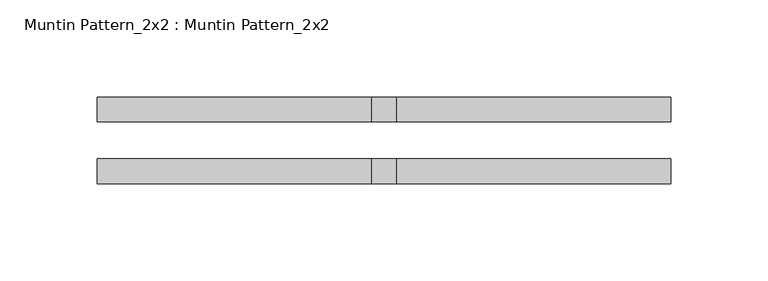
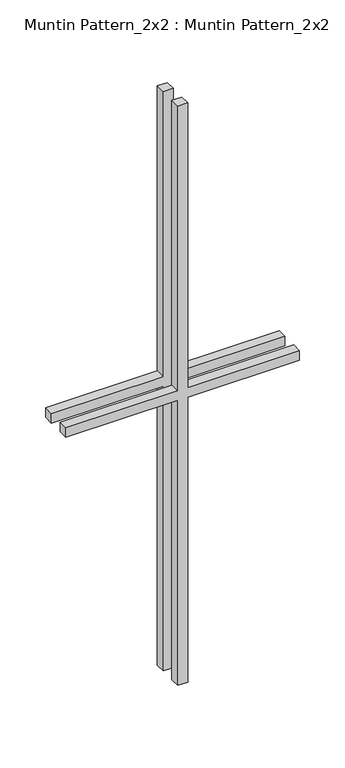
"""IFC4 building model written with IfcOpenShell, lengths in millimetres: proxy geometry, Muntin Pattern_2x2 : Muntin Pattern_2x2."""

from ifc_helpers import new_model, si_unit, frame, origin, place, context, project, spatial, polyline, outline, extrude, source, transform, mapped, element, save


def muntin_pattern_2x2_muntin_pattern_2x2_b3fe6957(model_context):
    return source(origin(), model_context, "Body", "SweptSolid", [
        extrude(outline(polyline([(393.7, -6.35), (393.7, -147.6375), (381.0, -147.6375), (381.0, -6.35), (0.0, -6.35), (0.0, 6.35), (381.0, 6.35), (381.0, 147.6375), (393.7, 147.6375), (393.7, 6.35), (774.7, 6.35), (774.7, -6.35), (393.7, -6.35)])), frame((0.0, 9.525, 0.0), z_axis=(0.0, 1.0, 0.0), x_axis=(0.0, 0.0, 1.0)), (0.0, 0.0, 1.0), 12.7),
        extrude(outline(polyline([(393.7, -6.35), (393.7, -147.6375), (381.0, -147.6375), (381.0, -6.35), (0.0, -6.35), (0.0, 6.35), (381.0, 6.35), (381.0, 147.6375), (393.7, 147.6375), (393.7, 6.35), (774.7, 6.35), (774.7, -6.35), (393.7, -6.35)])), frame((0.0, -22.225, 0.0), z_axis=(0.0, 1.0, 0.0), x_axis=(0.0, 0.0, 1.0)), (0.0, 0.0, 1.0), 12.7),
    ])


if __name__ == "__main__":
    model = new_model("IFC4")
    model_context = context("Model", 3, world=origin())
    ifc_project = project(units=[si_unit("LENGTHUNIT", "METRE", prefix="MILLI")], contexts=[model_context])
    site = spatial("IfcSite", under=ifc_project)
    building = spatial("IfcBuilding", under=site)
    placement = place(None, origin())
    muntin_pattern_2x2_muntin_pattern_2x2_shape = muntin_pattern_2x2_muntin_pattern_2x2_b3fe6957(model_context)
    element("IfcBuildingElementProxy", 1, Name="Muntin Pattern_2x2 : Muntin Pattern_2x2", ObjectType="Muntin Pattern_2x2 : Muntin Pattern_2x2", at=placement, inside=building, context=model_context, shape_type="MappedRepresentation", body=[
        mapped(muntin_pattern_2x2_muntin_pattern_2x2_shape, transform((0.0, 0.0, 0.0), x_axis=(1.0, 0.0, 0.0), y_axis=(0.0, 1.0, 0.0), z_axis=(0.0, 0.0, 1.0))),
    ])
    save(model, "model.ifc")
